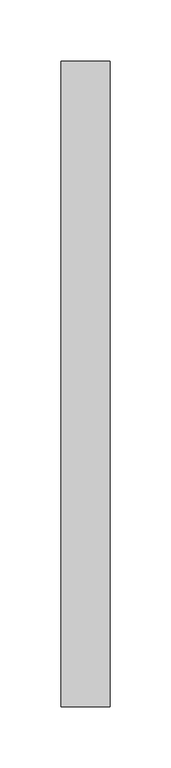
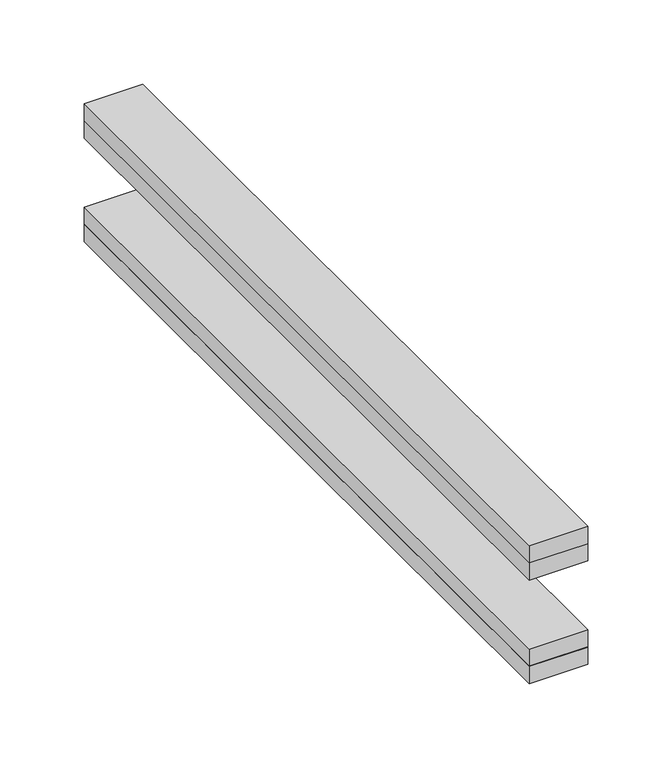
"""IFC4 building model written with IfcOpenShell, lengths in millimetres: proxy geometry."""

from ifc_helpers import new_model, si_unit, frame, origin, place, context, project, spatial, polyline, outline, extrude, source, transform, mapped, element, save


def specialty_equipment_0df97800(model_context):
    return source(origin(), model_context, "Body", "SweptSolid", [
        extrude(outline(polyline([(20.0, 263.8440769), (20.0, -263.8440769), (-20.0, -263.8440769), (-20.0, 263.8440769), (20.0, 263.8440769)])), frame((0.0, 0.0, -12.5), z_axis=(0.0, 0.0, 1.0), x_axis=(1.0, 0.0, 0.0)), (0.0, 0.0, 1.0), 12.5),
        extrude(outline(polyline([(20.0, 263.8440769), (20.0, -263.8440769), (-20.0, -263.8440769), (-20.0, 263.8440769), (20.0, 263.8440769)])), frame((0.0, 0.0, -25.0), z_axis=(0.0, 0.0, 1.0), x_axis=(1.0, 0.0, 0.0)), (0.0, 0.0, 1.0), 12.5),
        extrude(outline(polyline([(20.0, 263.8440769), (20.0, -263.8440769), (-20.0, -263.8440769), (-20.0, 263.8440769), (20.0, 263.8440769)])), frame((0.0, 0.0, -100.0), z_axis=(0.0, 0.0, 1.0), x_axis=(1.0, 0.0, 0.0)), (0.0, 0.0, 1.0), 12.5),
        extrude(outline(polyline([(20.0, 263.8440769), (20.0, -263.8440769), (-20.0, -263.8440769), (-20.0, 263.8440769), (20.0, 263.8440769)])), frame((0.0, 0.0, -87.5), z_axis=(0.0, 0.0, 1.0), x_axis=(1.0, 0.0, 0.0)), (0.0, 0.0, 1.0), 12.5),
    ])


if __name__ == "__main__":
    model = new_model("IFC4")
    model_context = context("Model", 3, world=origin())
    ifc_project = project(units=[si_unit("LENGTHUNIT", "METRE", prefix="MILLI")], contexts=[model_context])
    site = spatial("IfcSite", under=ifc_project)
    building = spatial("IfcBuilding", under=site)
    placement = place(None, origin())
    specialty_equipment_shape = specialty_equipment_0df97800(model_context)
    element("IfcBuildingElementProxy", 1, Name="Specialty Equipment", at=placement, inside=building, context=model_context, shape_type="MappedRepresentation", body=[
        mapped(specialty_equipment_shape, transform((0.0, 0.0, 0.0), x_axis=(1.0, 0.0, 0.0), y_axis=(0.0, 1.0, 0.0), z_axis=(0.0, 0.0, 1.0))),
    ])
    save(model, "model.ifc")
